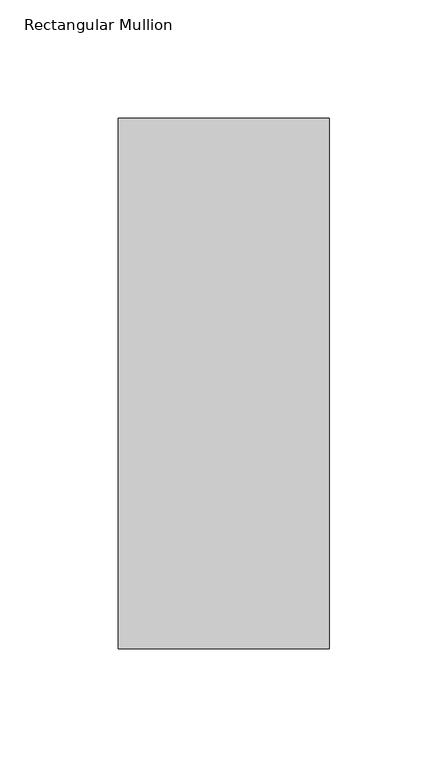
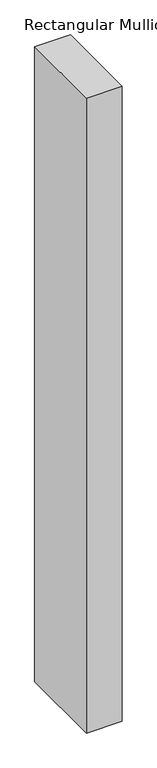
"""IFC4 building model written with IfcOpenShell, lengths in millimetres: member geometry, Rectangular Mullion."""

import ifcopenshell
import ifcopenshell.guid

model = None  # the IFC model being written
_history = None  # IfcOwnerHistory: only IFC2X3 demands one
_inside = {}  # id of a spatial element -> (the spatial element, [elements in it])
_under = {}  # id of a project, library or spatial element -> (it, [spatial elements below it])
_declared = {}  # id of a project -> (the project, [libraries it declares])
_typed = {}  # id of a type object -> (the type object, [elements of that type])
_made_of = {}  # id of a material, layer set ... -> (it, [elements and type objects made of it])


def new_model(schema):
    """Start an empty IFC model of exactly this schema.

    Asked for "IFC4X3", IfcOpenShell would pick the latest addendum, in which some entities
    have other attributes; the version numbers below select the first issue.
    IFC2X3 requires an IfcOwnerHistory on every rooted entity: one is made here for all.
    """
    global model, _history
    if schema == "IFC4X3":
        model = ifcopenshell.file(schema_version=(4, 3, 0, 0))
    else:
        model = ifcopenshell.file(schema=schema)
    _inside.clear()
    _under.clear()
    _declared.clear()
    _typed.clear()
    _made_of.clear()
    _history = None
    if model.schema == "IFC2X3":
        org = make("IfcOrganization", Name="unknown")
        user = make(
            "IfcPersonAndOrganization",
            ThePerson=make("IfcPerson", FamilyName="unknown"),
            TheOrganization=org,
        )
        app = make(
            "IfcApplication",
            ApplicationDeveloper=org,
            Version="unknown",
            ApplicationFullName="unknown",
            ApplicationIdentifier="unknown",
        )
        _history = make(
            "IfcOwnerHistory",
            OwningUser=user,
            OwningApplication=app,
            ChangeAction="ADDED",
            CreationDate=0,
        )
    return model


def make(cls, **values):
    """One entity of the class cls with the attributes given. An attribute that is None is left unset."""
    return model.create_entity(
        cls, **{name: value for name, value in values.items() if value is not None}
    )


def rooted(cls, **values):
    """An entity with a GlobalId (a new one), such as an element, a storey or a relation."""
    return make(cls, GlobalId=ifcopenshell.guid.new(), OwnerHistory=_history, **values)


def si_unit(unit_type, name, prefix=None):
    """IfcSIUnit, for example si_unit("LENGTHUNIT", "METRE", prefix="MILLI")."""
    return make("IfcSIUnit", UnitType=unit_type, Prefix=prefix, Name=name)


def assignment(units):
    """IfcUnitAssignment: the units of a project."""
    return None if units is None else make("IfcUnitAssignment", Units=units)


def point(xyz):
    """IfcCartesianPoint."""
    return None if xyz is None else make("IfcCartesianPoint", Coordinates=xyz)


def direction(xyz):
    """IfcDirection."""
    return None if xyz is None else make("IfcDirection", DirectionRatios=xyz)


def frame(location, z_axis=None, x_axis=None):
    """IfcAxis2Placement3D, a coordinate frame: its origin and axes. An axis left out is left unset."""
    return make(
        "IfcAxis2Placement3D",
        Location=point(location),
        Axis=direction(z_axis),
        RefDirection=direction(x_axis),
    )


def origin():
    """The frame at (0, 0, 0) with its axes left unset."""
    return frame((0.0, 0.0, 0.0))


def place(relative_to, where):
    """IfcLocalPlacement: puts the frame where relative to a parent placement (None: the world)."""
    return make(
        "IfcLocalPlacement", PlacementRelTo=relative_to, RelativePlacement=where
    )


def context(
    kind, dimensions, precision=None, world=None, true_north=None, identifier=None
):
    """IfcGeometricRepresentationContext, for example the 3D "Model" context."""
    return make(
        "IfcGeometricRepresentationContext",
        ContextIdentifier=identifier,
        ContextType=kind,
        CoordinateSpaceDimension=dimensions,
        Precision=precision,
        WorldCoordinateSystem=world,
        TrueNorth=true_north,
    )


def project(units=None, contexts=None):
    """IfcProject with its units and contexts."""
    return rooted(
        "IfcProject",
        Name="project",
        RepresentationContexts=contexts,
        UnitsInContext=assignment(units),
    )


def spatial(cls, under=None, at=None, **own):
    """A site, building, storey or space (cls), placed at a placement, below another one or the project."""
    s = rooted(cls, ObjectPlacement=at, **own)
    if under is not None:
        _under.setdefault(under.id(), (under, []))[1].append(s)
    return s


def polyline(points):
    """IfcPolyline through the points."""
    return make("IfcPolyline", Points=[point(p) for p in points])


def outline(outer, holes=None, kind="AREA"):
    """IfcArbitraryClosedProfileDef: a profile drawn as a closed curve; with holes, ...WithVoids."""
    if holes is None:
        return make("IfcArbitraryClosedProfileDef", ProfileType=kind, OuterCurve=outer)
    return make(
        "IfcArbitraryProfileDefWithVoids",
        ProfileType=kind,
        OuterCurve=outer,
        InnerCurves=holes,
    )


def extrude(swept, where, along, depth):
    """IfcExtrudedAreaSolid: the profile swept, set in the frame where, extruded along a direction by depth."""
    return make(
        "IfcExtrudedAreaSolid",
        SweptArea=swept,
        Position=where,
        ExtrudedDirection=direction(along),
        Depth=depth,
    )


def shape(context_of_items, identifier, shape_type, items):
    """IfcShapeRepresentation: the items that make up one representation, for example the "Body"."""
    return make(
        "IfcShapeRepresentation",
        ContextOfItems=context_of_items,
        RepresentationIdentifier=identifier,
        RepresentationType=shape_type,
        Items=items,
    )


def source(mapping_origin, context_of_items, identifier, shape_type, items):
    """IfcRepresentationMap: a shape defined once, which mapped items show again and again."""
    return make(
        "IfcRepresentationMap",
        MappingOrigin=mapping_origin,
        MappedRepresentation=shape(context_of_items, identifier, shape_type, items),
    )


def transform(
    local_origin,
    x_axis=None,
    y_axis=None,
    z_axis=None,
    scale=None,
    scale2=None,
    scale3=None,
    uniform=True,
):
    """IfcCartesianTransformationOperator3D, or its non-uniform kind. x_axis, y_axis, z_axis: its Axis1, 2, 3."""
    if uniform:
        return make(
            "IfcCartesianTransformationOperator3D",
            Axis1=direction(x_axis),
            Axis2=direction(y_axis),
            LocalOrigin=point(local_origin),
            Scale=scale,
            Axis3=direction(z_axis),
        )
    return make(
        "IfcCartesianTransformationOperator3DnonUniform",
        Axis1=direction(x_axis),
        Axis2=direction(y_axis),
        LocalOrigin=point(local_origin),
        Scale=scale,
        Axis3=direction(z_axis),
        Scale2=scale2,
        Scale3=scale3,
    )


def mapped(mapping_source, mapping_target):
    """IfcMappedItem: shows the shape of a source again, moved by a transform."""
    return make(
        "IfcMappedItem", MappingSource=mapping_source, MappingTarget=mapping_target
    )


def made_of(thing, what):
    """Note that an element or type object is made of a material, layer set ...; save() writes the relation."""
    if what is not None:
        _made_of.setdefault(what.id(), (what, []))[1].append(thing)
    return thing


def element(
    cls,
    number,
    at=None,
    inside=None,
    cuts=None,
    type_object=None,
    material=None,
    context=None,
    identifier="Body",
    shape_type=None,
    held_by="IfcProductDefinitionShape",
    body=None,
    shapes=None,
    **own,
):
    """One element of the class cls, such as IfcWall. Its Tag is "e" and its number.

    at: its placement. inside: the storey or other place that contains it. cuts: it is an
    opening in that element (IfcRelVoidsElement). A single representation is given by context,
    identifier, shape_type and body (its items); several are given by shapes. held_by: the class
    of the entity that holds the representations. save() writes the other relations.
    """
    e = rooted(cls, Tag="e%d" % number, ObjectPlacement=at, **own)
    if body is not None:
        shapes = [shape(context, identifier, shape_type, body)]
    if shapes is not None:
        e.Representation = make(held_by, Representations=shapes)
    if inside is not None:
        _inside.setdefault(inside.id(), (inside, []))[1].append(e)
    if cuts is not None:
        rooted(
            "IfcRelVoidsElement", RelatingBuildingElement=cuts, RelatedOpeningElement=e
        )
    if type_object is not None:
        _typed.setdefault(type_object.id(), (type_object, []))[1].append(e)
    return made_of(e, material)


def aggregate(whole, parts):
    """IfcRelAggregates: a whole, such as a stair, and the parts it consists of."""
    return rooted("IfcRelAggregates", RelatingObject=whole, RelatedObjects=parts)


def save(model, path):
    """Write the relations noted so far, then the file.

    IfcRelAggregates (storeys below a building ...), IfcRelContainedInSpatialStructure (elements
    in a storey), IfcRelDefinesByType, IfcRelAssociatesMaterial and IfcRelDeclares: one each for
    every whole, place, type object, material and project.
    """
    for whole, parts in _under.values():
        aggregate(whole, parts)
    for where, things in _inside.values():
        rooted(
            "IfcRelContainedInSpatialStructure",
            RelatedElements=things,
            RelatingStructure=where,
        )
    for kind, things in _typed.values():
        rooted("IfcRelDefinesByType", RelatedObjects=things, RelatingType=kind)
    for what, things in _made_of.values():
        rooted("IfcRelAssociatesMaterial", RelatedObjects=things, RelatingMaterial=what)
    for by, libraries in _declared.values():
        rooted("IfcRelDeclares", RelatingContext=by, RelatedDefinitions=libraries)
    model.write(path)


def rectangular_mullion_8102508c(model_context):
    return source(origin(), model_context, "Body", "SweptSolid", [
        extrude(outline(polyline([(-88.9, 42.06875), (0.0, 42.06875), (0.0, -181.76875), (-88.9, -181.76875), (-88.9, 42.06875)])), frame((0.0, 0.0, -1676.4), z_axis=(0.0, 0.0, 1.0), x_axis=(1.0, 0.0, 0.0)), (0.0, 0.0, 1.0), 1676.4),
    ])


if __name__ == "__main__":
    model = new_model("IFC4")
    model_context = context("Model", 3, world=origin())
    ifc_project = project(units=[si_unit("LENGTHUNIT", "METRE", prefix="MILLI")], contexts=[model_context])
    site = spatial("IfcSite", under=ifc_project)
    building = spatial("IfcBuilding", under=site)
    placement = place(None, origin())
    rectangular_mullion_shape = rectangular_mullion_8102508c(model_context)
    element("IfcMember", 1, ObjectType="Rectangular Mullion", at=placement, inside=building, context=model_context, shape_type="MappedRepresentation", body=[
        mapped(rectangular_mullion_shape, transform((0.0, 0.0, 0.0), x_axis=(1.0, 0.0, 0.0), y_axis=(0.0, 1.0, 0.0), z_axis=(0.0, 0.0, 1.0))),
    ])
    save(model, "model.ifc")
